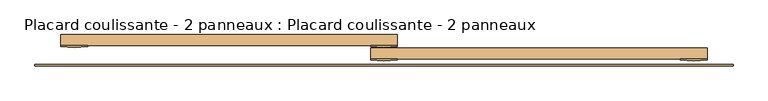
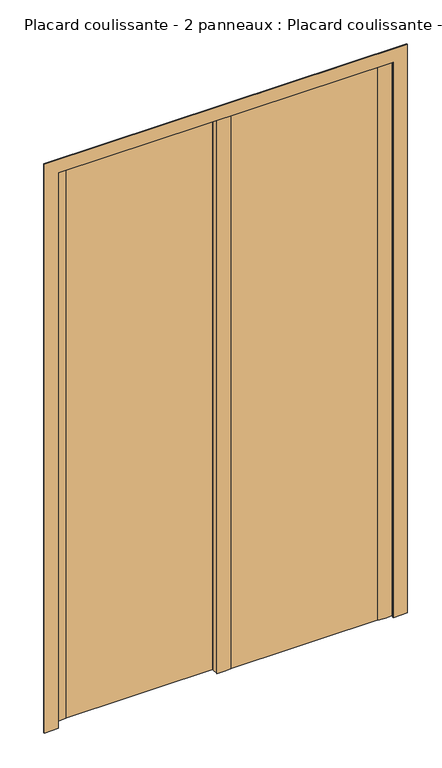
"""IFC4 building model written with IfcOpenShell, lengths in millimetres: door geometry, Placard coulissante - 2 panneaux : Placard coulissante - 2 panneaux."""

from ifc_helpers import new_model, si_unit, point, frame, frame_2d, origin, origin_with_axes, place, context, project, spatial, polyline, circle_curve, trimmed, segment, composite_curve, outline, extrude, source, transform, mapped, element, save


def placard_coulissante_2_panneaux_placard_coulissante_2_2c36c4fa(model_context):
    return source(origin(), model_context, "Body", "SweptSolid", [
        extrude(outline(composite_curve([segment(polyline([(600.0, -65.0), (600.0, -67.0)]), True, "CONTINUOUS"), segment(trimmed(circle_curve(frame_2d((575.0, 146.8603852)), 215.3166607), [point((600.0, -67.0))], [point((550.0, -67.0))], False, "CARTESIAN"), True, "CONTINUOUS"), segment(polyline([(550.0, -67.0), (550.0, -65.0), (600.0, -65.0)]), True, "CONTINUOUS")], self_intersect=False)), origin_with_axes(), (0.0, 0.0, 1.0), 2100.0),
        extrude(outline(composite_curve([segment(polyline([(25.0, -65.0), (25.0, -67.0)]), True, "CONTINUOUS"), segment(trimmed(circle_curve(frame_2d((0.0, 146.8603852)), 215.3166607), [point((25.0, -67.0))], [point((-25.0, -67.0))], False, "CARTESIAN"), True, "CONTINUOUS"), segment(polyline([(-25.0, -67.0), (-25.0, -65.0), (25.0, -65.0)]), True, "CONTINUOUS")], self_intersect=False)), origin_with_axes(), (0.0, 0.0, 1.0), 2100.0),
        extrude(outline(composite_curve([segment(polyline([(25.0, -40.0), (25.0, -42.0)]), True, "CONTINUOUS"), segment(trimmed(circle_curve(frame_2d((0.0, 171.8603852)), 215.3166607), [point((25.0, -42.0))], [point((-25.0, -42.0))], False, "CARTESIAN"), True, "CONTINUOUS"), segment(polyline([(-25.0, -42.0), (-25.0, -40.0), (25.0, -40.0)]), True, "CONTINUOUS")], self_intersect=False)), origin_with_axes(), (0.0, 0.0, 1.0), 2100.0),
        extrude(outline(composite_curve([segment(polyline([(-550.0, -40.0), (-550.0, -42.0)]), True, "CONTINUOUS"), segment(trimmed(circle_curve(frame_2d((-575.0, 171.8603852)), 215.3166607), [point((-550.0, -42.0))], [point((-600.0, -42.0))], False, "CARTESIAN"), True, "CONTINUOUS"), segment(polyline([(-600.0, -42.0), (-600.0, -40.0), (-550.0, -40.0)]), True, "CONTINUOUS")], self_intersect=False)), origin_with_axes(), (0.0, 0.0, 1.0), 2100.0),
        extrude(outline(polyline([(0.0, -648.0), (0.0, -598.0), (2098.0, -598.0), (2098.0, 598.0), (0.0, 598.0), (0.0, 648.0), (2148.0, 648.0), (2148.0, -648.0), (0.0, -648.0)])), frame((0.0, -78.0, 0.0), z_axis=(0.0, 1.0, 0.0), x_axis=(0.0, 0.0, 1.0)), (0.0, 0.0, 1.0), 3.0),
        extrude(outline(polyline([(600.0, -65.0), (-25.0, -65.0), (-25.0, -45.0), (600.0, -45.0), (600.0, -65.0)])), origin_with_axes(), (0.0, 0.0, 1.0), 2100.0),
        extrude(outline(polyline([(25.0, -40.0), (-600.0, -40.0), (-600.0, -20.0), (25.0, -20.0), (25.0, -40.0)])), origin_with_axes(), (0.0, 0.0, 1.0), 2100.0),
    ])


if __name__ == "__main__":
    model = new_model("IFC4")
    model_context = context("Model", 3, world=origin())
    ifc_project = project(units=[si_unit("LENGTHUNIT", "METRE", prefix="MILLI")], contexts=[model_context])
    site = spatial("IfcSite", under=ifc_project)
    building = spatial("IfcBuilding", under=site)
    placement = place(None, origin())
    placard_coulissante_2_panneaux_placard_coulissante_2_shape = placard_coulissante_2_panneaux_placard_coulissante_2_2c36c4fa(model_context)
    element("IfcDoor", 1, ObjectType="Placard coulissante - 2 panneaux : Placard coulissante - 2 panneaux", at=placement, inside=building, context=model_context, shape_type="MappedRepresentation", body=[
        mapped(placard_coulissante_2_panneaux_placard_coulissante_2_shape, transform((0.0, 0.0, 0.0), x_axis=(1.0, 0.0, 0.0), y_axis=(0.0, 1.0, 0.0), z_axis=(0.0, 0.0, 1.0))),
    ])
    save(model, "model.ifc")
